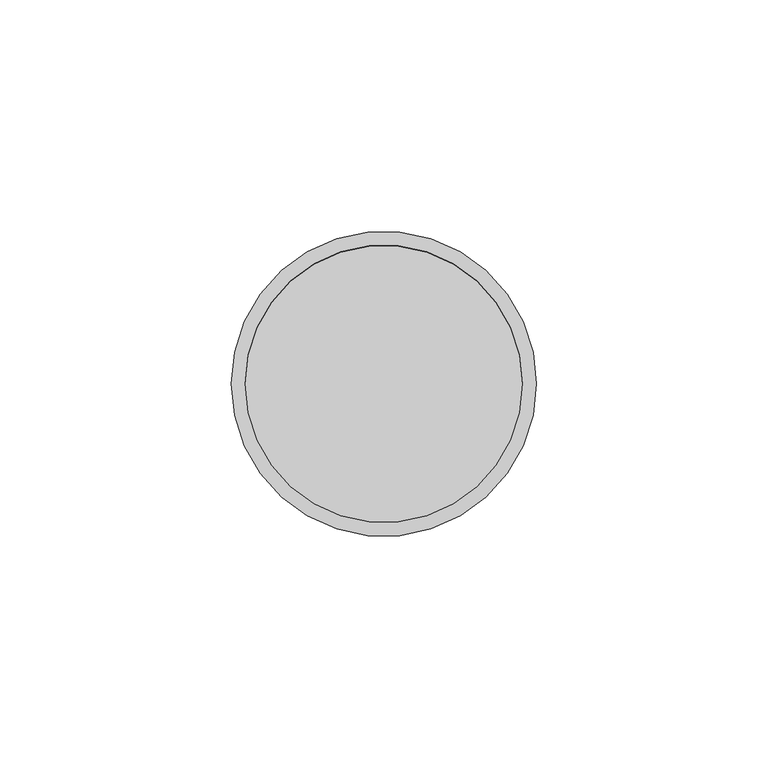
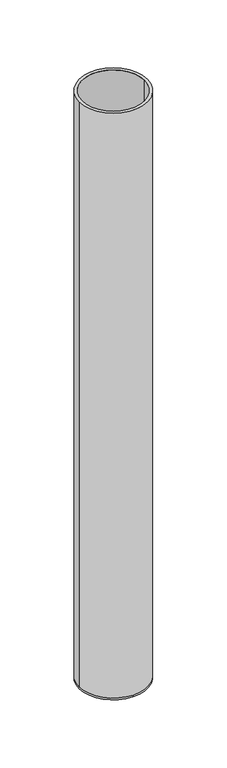
"""IFC4 building model written with IfcOpenShell, lengths in millimetres: beam geometry."""

import ifcopenshell
import ifcopenshell.guid

model = None  # the IFC model being written
_history = None  # IfcOwnerHistory: only IFC2X3 demands one
_inside = {}  # id of a spatial element -> (the spatial element, [elements in it])
_under = {}  # id of a project, library or spatial element -> (it, [spatial elements below it])
_declared = {}  # id of a project -> (the project, [libraries it declares])
_typed = {}  # id of a type object -> (the type object, [elements of that type])
_made_of = {}  # id of a material, layer set ... -> (it, [elements and type objects made of it])


def new_model(schema):
    """Start an empty IFC model of exactly this schema.

    Asked for "IFC4X3", IfcOpenShell would pick the latest addendum, in which some entities
    have other attributes; the version numbers below select the first issue.
    IFC2X3 requires an IfcOwnerHistory on every rooted entity: one is made here for all.
    """
    global model, _history
    if schema == "IFC4X3":
        model = ifcopenshell.file(schema_version=(4, 3, 0, 0))
    else:
        model = ifcopenshell.file(schema=schema)
    _inside.clear()
    _under.clear()
    _declared.clear()
    _typed.clear()
    _made_of.clear()
    _history = None
    if model.schema == "IFC2X3":
        org = make("IfcOrganization", Name="unknown")
        user = make(
            "IfcPersonAndOrganization",
            ThePerson=make("IfcPerson", FamilyName="unknown"),
            TheOrganization=org,
        )
        app = make(
            "IfcApplication",
            ApplicationDeveloper=org,
            Version="unknown",
            ApplicationFullName="unknown",
            ApplicationIdentifier="unknown",
        )
        _history = make(
            "IfcOwnerHistory",
            OwningUser=user,
            OwningApplication=app,
            ChangeAction="ADDED",
            CreationDate=0,
        )
    return model


def make(cls, **values):
    """One entity of the class cls with the attributes given. An attribute that is None is left unset."""
    return model.create_entity(
        cls, **{name: value for name, value in values.items() if value is not None}
    )


def rooted(cls, **values):
    """An entity with a GlobalId (a new one), such as an element, a storey or a relation."""
    return make(cls, GlobalId=ifcopenshell.guid.new(), OwnerHistory=_history, **values)


def si_unit(unit_type, name, prefix=None):
    """IfcSIUnit, for example si_unit("LENGTHUNIT", "METRE", prefix="MILLI")."""
    return make("IfcSIUnit", UnitType=unit_type, Prefix=prefix, Name=name)


def assignment(units):
    """IfcUnitAssignment: the units of a project."""
    return None if units is None else make("IfcUnitAssignment", Units=units)


def point(xyz):
    """IfcCartesianPoint."""
    return None if xyz is None else make("IfcCartesianPoint", Coordinates=xyz)


def direction(xyz):
    """IfcDirection."""
    return None if xyz is None else make("IfcDirection", DirectionRatios=xyz)


def frame(location, z_axis=None, x_axis=None):
    """IfcAxis2Placement3D, a coordinate frame: its origin and axes. An axis left out is left unset."""
    return make(
        "IfcAxis2Placement3D",
        Location=point(location),
        Axis=direction(z_axis),
        RefDirection=direction(x_axis),
    )


def origin():
    """The frame at (0, 0, 0) with its axes left unset."""
    return frame((0.0, 0.0, 0.0))


def place(relative_to, where):
    """IfcLocalPlacement: puts the frame where relative to a parent placement (None: the world)."""
    return make(
        "IfcLocalPlacement", PlacementRelTo=relative_to, RelativePlacement=where
    )


def context(
    kind, dimensions, precision=None, world=None, true_north=None, identifier=None
):
    """IfcGeometricRepresentationContext, for example the 3D "Model" context."""
    return make(
        "IfcGeometricRepresentationContext",
        ContextIdentifier=identifier,
        ContextType=kind,
        CoordinateSpaceDimension=dimensions,
        Precision=precision,
        WorldCoordinateSystem=world,
        TrueNorth=true_north,
    )


def project(units=None, contexts=None):
    """IfcProject with its units and contexts."""
    return rooted(
        "IfcProject",
        Name="project",
        RepresentationContexts=contexts,
        UnitsInContext=assignment(units),
    )


def spatial(cls, under=None, at=None, **own):
    """A site, building, storey or space (cls), placed at a placement, below another one or the project."""
    s = rooted(cls, ObjectPlacement=at, **own)
    if under is not None:
        _under.setdefault(under.id(), (under, []))[1].append(s)
    return s


def polyline(points):
    """IfcPolyline through the points."""
    return make("IfcPolyline", Points=[point(p) for p in points])


def circle_curve(where, radius):
    """IfcCircle in the frame where."""
    return make("IfcCircle", Position=where, Radius=radius)


def shape(context_of_items, identifier, shape_type, items):
    """IfcShapeRepresentation: the items that make up one representation, for example the "Body"."""
    return make(
        "IfcShapeRepresentation",
        ContextOfItems=context_of_items,
        RepresentationIdentifier=identifier,
        RepresentationType=shape_type,
        Items=items,
    )


def source(mapping_origin, context_of_items, identifier, shape_type, items):
    """IfcRepresentationMap: a shape defined once, which mapped items show again and again."""
    return make(
        "IfcRepresentationMap",
        MappingOrigin=mapping_origin,
        MappedRepresentation=shape(context_of_items, identifier, shape_type, items),
    )


def transform(
    local_origin,
    x_axis=None,
    y_axis=None,
    z_axis=None,
    scale=None,
    scale2=None,
    scale3=None,
    uniform=True,
):
    """IfcCartesianTransformationOperator3D, or its non-uniform kind. x_axis, y_axis, z_axis: its Axis1, 2, 3."""
    if uniform:
        return make(
            "IfcCartesianTransformationOperator3D",
            Axis1=direction(x_axis),
            Axis2=direction(y_axis),
            LocalOrigin=point(local_origin),
            Scale=scale,
            Axis3=direction(z_axis),
        )
    return make(
        "IfcCartesianTransformationOperator3DnonUniform",
        Axis1=direction(x_axis),
        Axis2=direction(y_axis),
        LocalOrigin=point(local_origin),
        Scale=scale,
        Axis3=direction(z_axis),
        Scale2=scale2,
        Scale3=scale3,
    )


def mapped(mapping_source, mapping_target):
    """IfcMappedItem: shows the shape of a source again, moved by a transform."""
    return make(
        "IfcMappedItem", MappingSource=mapping_source, MappingTarget=mapping_target
    )


def made_of(thing, what):
    """Note that an element or type object is made of a material, layer set ...; save() writes the relation."""
    if what is not None:
        _made_of.setdefault(what.id(), (what, []))[1].append(thing)
    return thing


def element(
    cls,
    number,
    at=None,
    inside=None,
    cuts=None,
    type_object=None,
    material=None,
    context=None,
    identifier="Body",
    shape_type=None,
    held_by="IfcProductDefinitionShape",
    body=None,
    shapes=None,
    **own,
):
    """One element of the class cls, such as IfcWall. Its Tag is "e" and its number.

    at: its placement. inside: the storey or other place that contains it. cuts: it is an
    opening in that element (IfcRelVoidsElement). A single representation is given by context,
    identifier, shape_type and body (its items); several are given by shapes. held_by: the class
    of the entity that holds the representations. save() writes the other relations.
    """
    e = rooted(cls, Tag="e%d" % number, ObjectPlacement=at, **own)
    if body is not None:
        shapes = [shape(context, identifier, shape_type, body)]
    if shapes is not None:
        e.Representation = make(held_by, Representations=shapes)
    if inside is not None:
        _inside.setdefault(inside.id(), (inside, []))[1].append(e)
    if cuts is not None:
        rooted(
            "IfcRelVoidsElement", RelatingBuildingElement=cuts, RelatedOpeningElement=e
        )
    if type_object is not None:
        _typed.setdefault(type_object.id(), (type_object, []))[1].append(e)
    return made_of(e, material)


def aggregate(whole, parts):
    """IfcRelAggregates: a whole, such as a stair, and the parts it consists of."""
    return rooted("IfcRelAggregates", RelatingObject=whole, RelatedObjects=parts)


def save(model, path):
    """Write the relations noted so far, then the file.

    IfcRelAggregates (storeys below a building ...), IfcRelContainedInSpatialStructure (elements
    in a storey), IfcRelDefinesByType, IfcRelAssociatesMaterial and IfcRelDeclares: one each for
    every whole, place, type object, material and project.
    """
    for whole, parts in _under.values():
        aggregate(whole, parts)
    for where, things in _inside.values():
        rooted(
            "IfcRelContainedInSpatialStructure",
            RelatedElements=things,
            RelatingStructure=where,
        )
    for kind, things in _typed.values():
        rooted("IfcRelDefinesByType", RelatedObjects=things, RelatingType=kind)
    for what, things in _made_of.values():
        rooted("IfcRelAssociatesMaterial", RelatedObjects=things, RelatingMaterial=what)
    for by, libraries in _declared.values():
        rooted("IfcRelDeclares", RelatingContext=by, RelatedDefinitions=libraries)
    model.write(path)


def plane_surface(at):
    """IfcPlane: the flat surface through the origin of the frame at, square to its z axis."""
    return make("IfcPlane", Position=at)


def cylinder_surface(at, radius):
    """IfcCylindricalSurface: all points at the distance radius from the z axis of the frame at."""
    return make("IfcCylindricalSurface", Position=at, Radius=radius)


def revolved_surface(curve, axis_point, axis_direction):
    """IfcSurfaceOfRevolution: the curve turned about the line through axis_point along axis_direction."""
    return make(
        "IfcSurfaceOfRevolution",
        SweptCurve=make("IfcArbitraryOpenProfileDef", ProfileType="CURVE", Curve=curve),
        AxisPosition=make("IfcAxis1Placement", Location=point(axis_point), Axis=direction(axis_direction)),
    )


def advanced_brep(points, edges, surfaces, faces):
    """IfcAdvancedBrep: a solid bounded by faces that lie on surfaces and meet in shared edges.

    An edge is (start, end): straight between two places in points (the first is 0);
    or (start, end, curve); or (start, end, curve, False) where it runs against its curve.
    A face is (place in surfaces, loops), or (place, loops, False) where it looks against
    its surface's normal. A loop lists edges by number (the first is 1), with a minus sign
    where the edge is run from its end to its start. The first loop is the outer one.
    """
    corners = [point(p) for p in points]
    vertices = [make("IfcVertexPoint", VertexGeometry=c) for c in corners]
    made = []
    for start, end, *more in edges:
        made.append(
            make(
                "IfcEdgeCurve",
                EdgeStart=vertices[start],
                EdgeEnd=vertices[end],
                EdgeGeometry=more[0] if more else make("IfcPolyline", Points=[corners[start], corners[end]]),
                SameSense=more[1] if len(more) > 1 else True,
            )
        )
    hull = []
    for where, loops, *sense in faces:
        bounds = []
        for j, loop in enumerate(loops):
            ring = [make("IfcOrientedEdge", EdgeElement=made[abs(k) - 1], Orientation=k > 0) for k in loop]
            bounds.append(
                make(
                    "IfcFaceOuterBound" if j == 0 else "IfcFaceBound",
                    Bound=make("IfcEdgeLoop", EdgeList=ring),
                    Orientation=True,
                )
            )
        hull.append(make("IfcAdvancedFace", Bounds=bounds, FaceSurface=surfaces[where], SameSense=sense[0] if sense else True))
    return make("IfcAdvancedBrep", Outer=make("IfcClosedShell", CfsFaces=hull))


def beam_10ef9ec1(model_context):
    return source(origin(), model_context, "Body", "AdvancedBrep", [
        advanced_brep(
        [(33.0, 0.0, 0.0), (-33.0, 0.0, 0.0), (30.0, 0.0, 0.0), (-30.0, 0.0, 0.0), (30.0, 0.0, -598.0), (-30.0, 0.0, -598.0), (33.0, 0.0, -598.0), (0.0, 33.0, -598.0), (-33.0, 0.0, -598.0), (0.0, -33.0, -598.0), (0.0, 33.0, -600.0), (0.0, -33.0, -600.0)],
        [
            (0, 1, circle_curve(frame((0.0, 0.0, 0.0), z_axis=(0.0, 0.0, 1.0), x_axis=(-1.0, 0.0, 0.0)), 33.0)),
            (1, 0, circle_curve(frame((0.0, 0.0, 0.0), z_axis=(0.0, 0.0, 1.0), x_axis=(-1.0, 0.0, 0.0)), 33.0)),
            (2, 3, circle_curve(frame((0.0, 0.0, 0.0), z_axis=(0.0, 0.0, -1.0), x_axis=(-1.0, 0.0, 0.0)), 30.0)),
            (3, 2, circle_curve(frame((0.0, 0.0, 0.0), z_axis=(0.0, 0.0, -1.0), x_axis=(-1.0, 0.0, 0.0)), 30.0)),
            (2, 4),
            (4, 5, circle_curve(frame((0.0, 0.0, -598.0), z_axis=(0.0, 0.0, -1.0), x_axis=(-1.0, 0.0, 0.0)), 30.0)),
            (5, 3),
            (5, 4, circle_curve(frame((0.0, 0.0, -598.0), z_axis=(0.0, 0.0, -1.0), x_axis=(-1.0, 0.0, 0.0)), 30.0)),
            (0, 6),
            (6, 7, circle_curve(frame((0.0, 0.0, -598.0), z_axis=(0.0, 0.0, 1.0), x_axis=(-1.0, 0.0, 0.0)), 33.0)),
            (7, 8, circle_curve(frame((0.0, 0.0, -598.0), z_axis=(0.0, 0.0, 1.0), x_axis=(-1.0, 0.0, 0.0)), 33.0)),
            (8, 1),
            (8, 9, circle_curve(frame((0.0, 0.0, -598.0), z_axis=(0.0, 0.0, 1.0), x_axis=(-1.0, 0.0, 0.0)), 33.0)),
            (9, 6, circle_curve(frame((0.0, 0.0, -598.0), z_axis=(0.0, 0.0, 1.0), x_axis=(-1.0, 0.0, 0.0)), 33.0)),
            (10, 11, circle_curve(frame((0.0, 0.0, -600.0), z_axis=(0.0, 0.0, -1.0), x_axis=(0.0, -1.0, 0.0)), 33.0)),
            (11, 10, circle_curve(frame((0.0, 0.0, -600.0), z_axis=(0.0, 0.0, -1.0), x_axis=(0.0, -1.0, 0.0)), 33.0)),
            (11, 9),
            (7, 10),
        ],
        [
            plane_surface(frame((0.0, 0.0, 0.0), z_axis=(0.0, 0.0, 1.0), x_axis=(0.0, -1.0, 0.0))),
            revolved_surface(polyline([(-30.0, 0.0, 0.0), (-30.0, 0.0, -598.0)]), (0.0, 0.0, -598.0), (0.0, 0.0, 1.0)),
            cylinder_surface(frame((0.0, 0.0, -598.0), z_axis=(0.0, 0.0, -1.0), x_axis=(-1.0, 0.0, 0.0)), 33.0),
            plane_surface(frame((0.0, 0.0, -598.0), z_axis=(0.0, 0.0, 1.0), x_axis=(0.0, -1.0, 0.0))),
            plane_surface(frame((0.0, 0.0, -600.0), z_axis=(0.0, 0.0, -1.0), x_axis=(0.0, -1.0, 0.0))),
            cylinder_surface(frame((0.0, 0.0, -598.0), z_axis=(0.0, 0.0, 1.0), x_axis=(0.0, -1.0, 0.0)), 33.0),
        ],
        [
            (0, [[1, 2], [3, 4]]),
            (1, [[-3, 5, 6, 7]]),
            (1, [[-4, -7, 8, -5]]),
            (2, [[-1, 9, 10, 11, 12]]),
            (2, [[-2, -12, 13, 14, -9]]),
            (3, [[-6, -8]]),
            (4, [[15, 16]]),
            (5, [[-16, 17, -13, -11, 18]]),
            (5, [[-15, -18, -10, -14, -17]]),
        ],
    ),
    ])


if __name__ == "__main__":
    model = new_model("IFC4")
    model_context = context("Model", 3, world=origin())
    ifc_project = project(units=[si_unit("LENGTHUNIT", "METRE", prefix="MILLI")], contexts=[model_context])
    site = spatial("IfcSite", under=ifc_project)
    building = spatial("IfcBuilding", under=site)
    placement = place(None, origin())
    beam_shape = beam_10ef9ec1(model_context)
    element("IfcBeam", 1, at=placement, inside=building, context=model_context, shape_type="MappedRepresentation", body=[
        mapped(beam_shape, transform((0.0, 0.0, 0.0), x_axis=(1.0, 0.0, 0.0), y_axis=(0.0, 1.0, 0.0), z_axis=(0.0, 0.0, 1.0))),
    ])
    save(model, "model.ifc")
